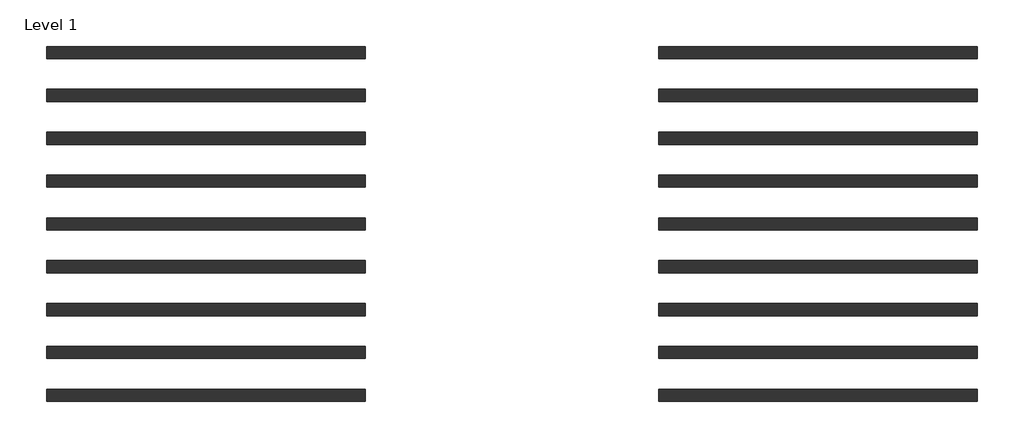
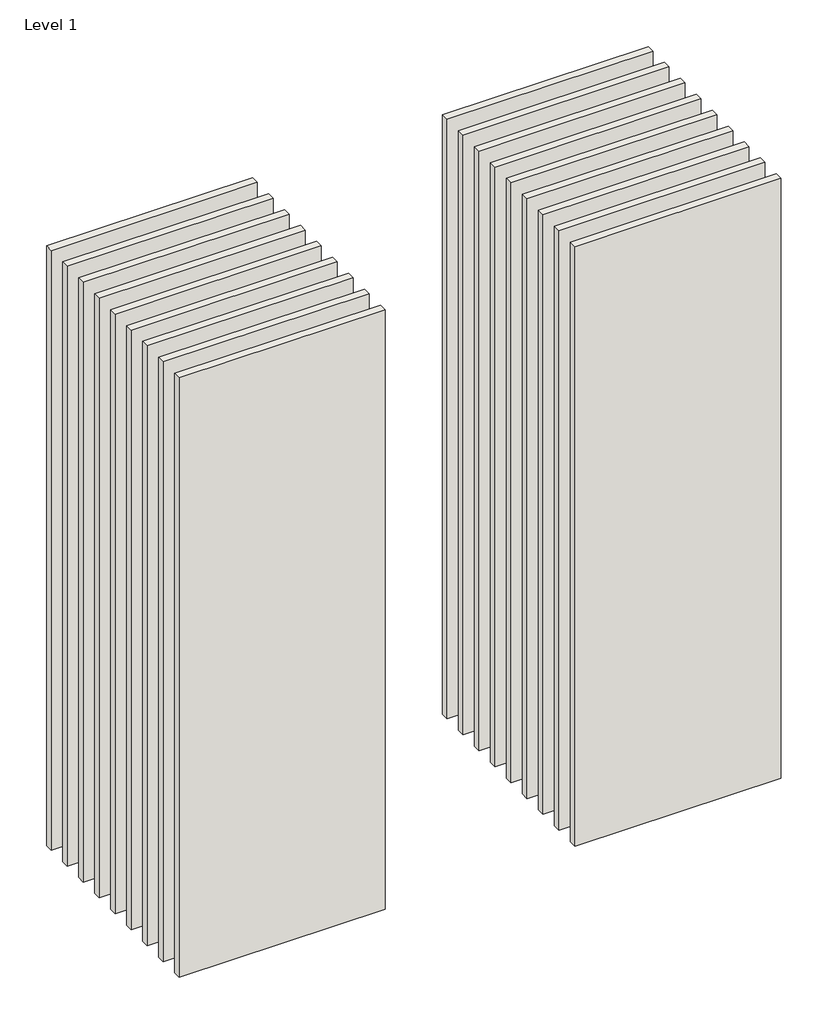
# One storey: 18 walls.
"""IFC4 building model written with IfcOpenShell, lengths in millimetres."""

from ifc_helpers import new_model, si_unit, origin, origin_with_axes, place, context, project, spatial, polyline, outline, extrude, element, save

model = new_model("IFC4")

# Units and contexts
model_context = context("Model", 3, world=origin())
ifc_project = project(units=[si_unit("LENGTHUNIT", "METRE", prefix="MILLI")], contexts=[model_context])

# Site, building, storey
site = spatial("IfcSite", under=ifc_project)
building = spatial("IfcBuilding", under=site)
storey = spatial("IfcBuildingStorey", under=building, Name="Level 1", Elevation=0.0)

# Walls
placement = place(None, origin())
element("IfcWall", 1, at=placement, inside=storey, context=model_context, shape_type="SweptSolid", body=[
    extrude(outline(polyline([(-16904.1464237, 3687.5198817), (-19504.1464237, 3687.5198817), (-19504.1464237, 3787.5198817), (-16904.1464237, 3787.5198817), (-16904.1464237, 3687.5198817)])), origin_with_axes(), (0.0, 0.0, 1.0), 8000.0),
])
element("IfcWall", 2, at=placement, inside=storey, context=model_context, shape_type="SweptSolid", body=[
    extrude(outline(polyline([(-16904.1464237, 3337.5198817), (-19504.1464237, 3337.5198817), (-19504.1464237, 3437.5198817), (-16904.1464237, 3437.5198817), (-16904.1464237, 3337.5198817)])), origin_with_axes(), (0.0, 0.0, 1.0), 8000.0),
])
element("IfcWall", 3, at=placement, inside=storey, context=model_context, shape_type="SweptSolid", body=[
    extrude(outline(polyline([(-16904.1464237, 2987.5198817), (-19504.1464237, 2987.5198817), (-19504.1464237, 3087.5198817), (-16904.1464237, 3087.5198817), (-16904.1464237, 2987.5198817)])), origin_with_axes(), (0.0, 0.0, 1.0), 8000.0),
])
element("IfcWall", 4, at=placement, inside=storey, context=model_context, shape_type="SweptSolid", body=[
    extrude(outline(polyline([(-16904.1464237, 2637.5198817), (-19504.1464237, 2637.5198817), (-19504.1464237, 2737.5198817), (-16904.1464237, 2737.5198817), (-16904.1464237, 2637.5198817)])), origin_with_axes(), (0.0, 0.0, 1.0), 8000.0),
])
element("IfcWall", 5, at=placement, inside=storey, context=model_context, shape_type="SweptSolid", body=[
    extrude(outline(polyline([(-16904.1464237, 2287.5198817), (-19504.1464237, 2287.5198817), (-19504.1464237, 2387.5198817), (-16904.1464237, 2387.5198817), (-16904.1464237, 2287.5198817)])), origin_with_axes(), (0.0, 0.0, 1.0), 8000.0),
])
element("IfcWall", 6, at=placement, inside=storey, context=model_context, shape_type="SweptSolid", body=[
    extrude(outline(polyline([(-16904.1464237, 1937.5198817), (-19504.1464237, 1937.5198817), (-19504.1464237, 2037.5198817), (-16904.1464237, 2037.5198817), (-16904.1464237, 1937.5198817)])), origin_with_axes(), (0.0, 0.0, 1.0), 8000.0),
])
element("IfcWall", 7, at=placement, inside=storey, context=model_context, shape_type="SweptSolid", body=[
    extrude(outline(polyline([(-16904.1464237, 1587.5198817), (-19504.1464237, 1587.5198817), (-19504.1464237, 1687.5198817), (-16904.1464237, 1687.5198817), (-16904.1464237, 1587.5198817)])), origin_with_axes(), (0.0, 0.0, 1.0), 8000.0),
])
element("IfcWall", 8, at=placement, inside=storey, context=model_context, shape_type="SweptSolid", body=[
    extrude(outline(polyline([(-16904.1464237, 1237.5198817), (-19504.1464237, 1237.5198817), (-19504.1464237, 1337.5198817), (-16904.1464237, 1337.5198817), (-16904.1464237, 1237.5198817)])), origin_with_axes(), (0.0, 0.0, 1.0), 8000.0),
])
element("IfcWall", 9, at=placement, inside=storey, context=model_context, shape_type="SweptSolid", body=[
    extrude(outline(polyline([(-16904.1464237, 887.5198817), (-19504.1464237, 887.5198817), (-19504.1464237, 987.5198817), (-16904.1464237, 987.5198817), (-16904.1464237, 887.5198817)])), origin_with_axes(), (0.0, 0.0, 1.0), 8000.0),
])
element("IfcWall", 10, at=placement, inside=storey, context=model_context, shape_type="SweptSolid", body=[
    extrude(outline(polyline([(-11904.1464237, 3687.5198817), (-14504.1464237, 3687.5198817), (-14504.1464237, 3787.5198817), (-11904.1464237, 3787.5198817), (-11904.1464237, 3687.5198817)])), origin_with_axes(), (0.0, 0.0, 1.0), 8000.0),
])
element("IfcWall", 11, at=placement, inside=storey, context=model_context, shape_type="SweptSolid", body=[
    extrude(outline(polyline([(-11904.1464237, 3337.5198817), (-14504.1464237, 3337.5198817), (-14504.1464237, 3437.5198817), (-11904.1464237, 3437.5198817), (-11904.1464237, 3337.5198817)])), origin_with_axes(), (0.0, 0.0, 1.0), 8000.0),
])
element("IfcWall", 12, at=placement, inside=storey, context=model_context, shape_type="SweptSolid", body=[
    extrude(outline(polyline([(-11904.1464237, 2987.5198817), (-14504.1464237, 2987.5198817), (-14504.1464237, 3087.5198817), (-11904.1464237, 3087.5198817), (-11904.1464237, 2987.5198817)])), origin_with_axes(), (0.0, 0.0, 1.0), 8000.0),
])
element("IfcWall", 13, at=placement, inside=storey, context=model_context, shape_type="SweptSolid", body=[
    extrude(outline(polyline([(-11904.1464237, 2637.5198817), (-14504.1464237, 2637.5198817), (-14504.1464237, 2737.5198817), (-11904.1464237, 2737.5198817), (-11904.1464237, 2637.5198817)])), origin_with_axes(), (0.0, 0.0, 1.0), 8000.0),
])
element("IfcWall", 14, at=placement, inside=storey, context=model_context, shape_type="SweptSolid", body=[
    extrude(outline(polyline([(-11904.1464237, 2287.5198817), (-14504.1464237, 2287.5198817), (-14504.1464237, 2387.5198817), (-11904.1464237, 2387.5198817), (-11904.1464237, 2287.5198817)])), origin_with_axes(), (0.0, 0.0, 1.0), 8000.0),
])
element("IfcWall", 15, at=placement, inside=storey, context=model_context, shape_type="SweptSolid", body=[
    extrude(outline(polyline([(-11904.1464237, 1937.5198817), (-14504.1464237, 1937.5198817), (-14504.1464237, 2037.5198817), (-11904.1464237, 2037.5198817), (-11904.1464237, 1937.5198817)])), origin_with_axes(), (0.0, 0.0, 1.0), 8000.0),
])
element("IfcWall", 16, at=placement, inside=storey, context=model_context, shape_type="SweptSolid", body=[
    extrude(outline(polyline([(-11904.1464237, 1587.5198817), (-14504.1464237, 1587.5198817), (-14504.1464237, 1687.5198817), (-11904.1464237, 1687.5198817), (-11904.1464237, 1587.5198817)])), origin_with_axes(), (0.0, 0.0, 1.0), 8000.0),
])
element("IfcWall", 17, at=placement, inside=storey, context=model_context, shape_type="SweptSolid", body=[
    extrude(outline(polyline([(-11904.1464237, 1237.5198817), (-14504.1464237, 1237.5198817), (-14504.1464237, 1337.5198817), (-11904.1464237, 1337.5198817), (-11904.1464237, 1237.5198817)])), origin_with_axes(), (0.0, 0.0, 1.0), 8000.0),
])
element("IfcWall", 18, at=placement, inside=storey, context=model_context, shape_type="SweptSolid", body=[
    extrude(outline(polyline([(-11904.1464237, 887.5198817), (-14504.1464237, 887.5198817), (-14504.1464237, 987.5198817), (-11904.1464237, 987.5198817), (-11904.1464237, 887.5198817)])), origin_with_axes(), (0.0, 0.0, 1.0), 8000.0),
])

save(model, "model.ifc")
